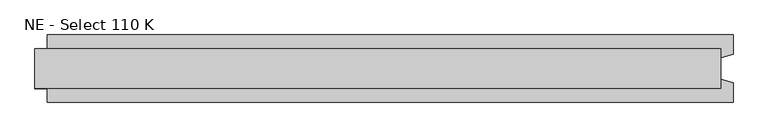
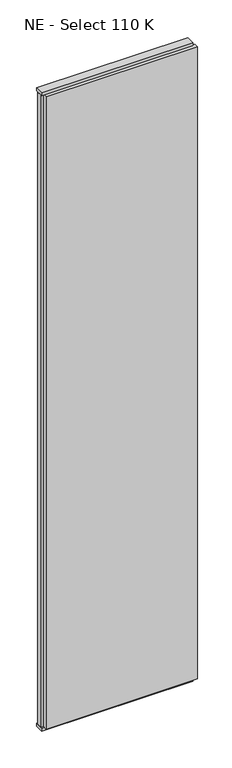
"""IFC4 building model written with IfcOpenShell, lengths in millimetres: plate geometry, NE - Select 110 K."""

from ifc_helpers import new_model, si_unit, frame, origin, origin_with_axes, place, context, project, spatial, polyline, outline, extrude, source, transform, mapped, element, save


def ne_select_110_k_70872c22(model_context):
    return source(origin(), model_context, "Body", "SweptSolid", [
        extrude(outline(polyline([(580.5, 55.0), (580.5, 22.9993165), (560.5, 17.6401049), (560.5, -17.6401049), (580.5, -22.9993165), (580.5, -55.0), (-540.5, -55.0), (-540.5, -22.9993165), (-560.5, -17.6401049), (-560.5, 17.6401049), (-540.5, 22.9993165), (-540.5, 55.0), (580.5, 55.0)])), frame((0.0, 0.0, 25.0), z_axis=(0.0, 0.0, 1.0), x_axis=(1.0, 0.0, 0.0)), (0.0, 0.0, 1.0), 4950.0),
        extrude(outline(polyline([(560.5, 32.0), (560.5, -32.0), (-560.5, -32.0), (-560.5, 32.0), (560.5, 32.0)])), origin_with_axes(), (0.0, 0.0, 1.0), 25.0),
        extrude(outline(polyline([(560.5, 32.0), (560.5, -32.0), (-560.5, -32.0), (-560.5, 32.0), (560.5, 32.0)])), frame((0.0, 0.0, 4975.0), z_axis=(0.0, 0.0, 1.0), x_axis=(1.0, 0.0, 0.0)), (0.0, 0.0, 1.0), 25.0),
    ])


if __name__ == "__main__":
    model = new_model("IFC4")
    model_context = context("Model", 3, world=origin())
    ifc_project = project(units=[si_unit("LENGTHUNIT", "METRE", prefix="MILLI")], contexts=[model_context])
    site = spatial("IfcSite", under=ifc_project)
    building = spatial("IfcBuilding", under=site)
    placement = place(None, origin())
    ne_select_110_k_shape = ne_select_110_k_70872c22(model_context)
    element("IfcPlate", 1, ObjectType="NE - Select 110 K", at=placement, inside=building, context=model_context, shape_type="MappedRepresentation", body=[
        mapped(ne_select_110_k_shape, transform((0.0, 0.0, 0.0), x_axis=(1.0, 0.0, 0.0), y_axis=(0.0, 1.0, 0.0), z_axis=(0.0, 0.0, 1.0))),
    ])
    save(model, "model.ifc")
